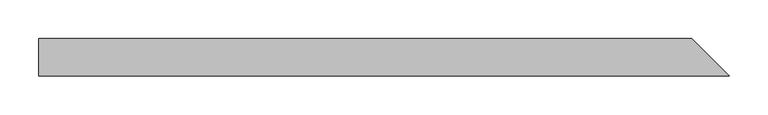
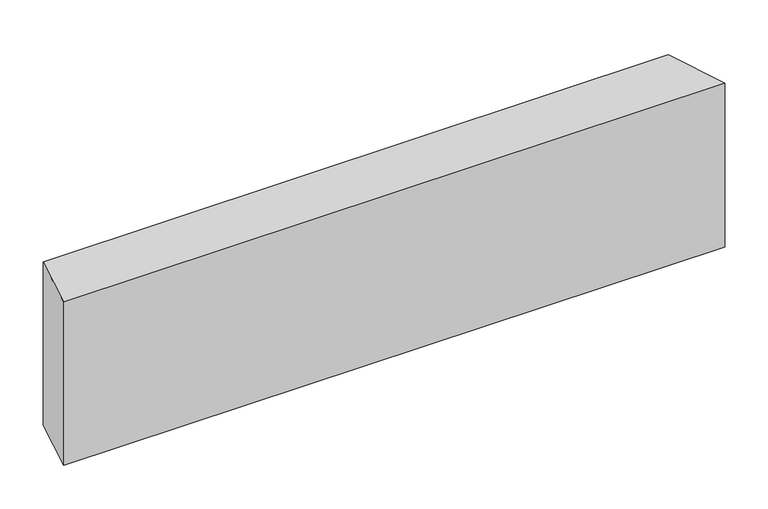
"""IFC4 building model written with IfcOpenShell, lengths in millimetres: beam geometry."""

from ifc_helpers import new_model, si_unit, origin, place, context, project, spatial, faceted_brep, source, transform, mapped, element, save


def beam_1f60f5b3(model_context):
    return source(origin(), model_context, "Body", "Brep", [
        faceted_brep([(454.61369, -24.0, 101.7703666), (-430.61369, -24.0, 101.7703666), (-430.61369, -24.0, -129.7703666), (454.61369, -24.0, -129.7703666), (406.61369, 24.0, 129.7703666), (406.61369, 24.0, -101.7703666), (-430.61369, 24.0, -101.7703666), (-430.61369, 24.0, 129.7703666)], [[[0, 1, 2, 3]], [[4, 5, 6, 7]], [[5, 4, 0, 3]], [[6, 5, 3, 2]], [[7, 6, 2, 1]], [[4, 7, 1, 0]]]),
    ])


if __name__ == "__main__":
    model = new_model("IFC4")
    model_context = context("Model", 3, world=origin())
    ifc_project = project(units=[si_unit("LENGTHUNIT", "METRE", prefix="MILLI")], contexts=[model_context])
    site = spatial("IfcSite", under=ifc_project)
    building = spatial("IfcBuilding", under=site)
    placement = place(None, origin())
    beam_shape = beam_1f60f5b3(model_context)
    element("IfcBeam", 1, at=placement, inside=building, context=model_context, shape_type="MappedRepresentation", body=[
        mapped(beam_shape, transform((0.0, 0.0, 0.0), x_axis=(1.0, 0.0, 0.0), y_axis=(0.0, 1.0, 0.0), z_axis=(0.0, 0.0, 1.0))),
    ])
    save(model, "model.ifc")
